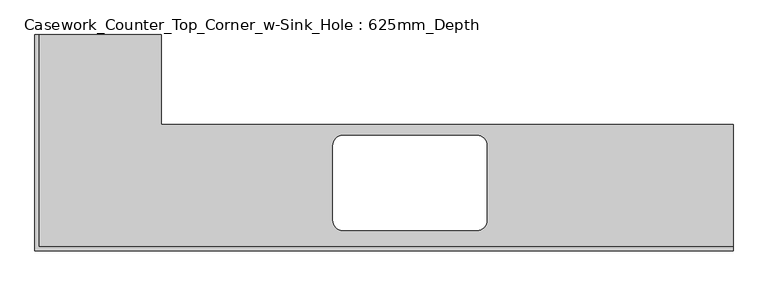
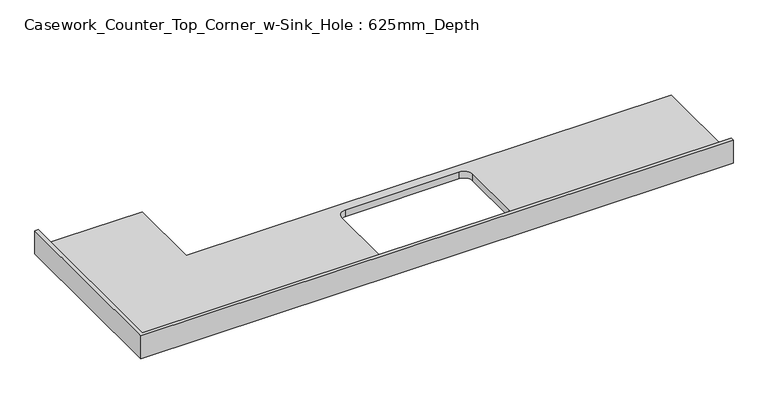
"""IFC4 building model written with IfcOpenShell, lengths in millimetres: furniture geometry, Casework_Counter_Top_Corner_w-Sink_Hole : 625mm_Depth."""

import ifcopenshell
import ifcopenshell.guid

model = None  # the IFC model being written
_history = None  # IfcOwnerHistory: only IFC2X3 demands one
_inside = {}  # id of a spatial element -> (the spatial element, [elements in it])
_under = {}  # id of a project, library or spatial element -> (it, [spatial elements below it])
_declared = {}  # id of a project -> (the project, [libraries it declares])
_typed = {}  # id of a type object -> (the type object, [elements of that type])
_made_of = {}  # id of a material, layer set ... -> (it, [elements and type objects made of it])


def new_model(schema):
    """Start an empty IFC model of exactly this schema.

    Asked for "IFC4X3", IfcOpenShell would pick the latest addendum, in which some entities
    have other attributes; the version numbers below select the first issue.
    IFC2X3 requires an IfcOwnerHistory on every rooted entity: one is made here for all.
    """
    global model, _history
    if schema == "IFC4X3":
        model = ifcopenshell.file(schema_version=(4, 3, 0, 0))
    else:
        model = ifcopenshell.file(schema=schema)
    _inside.clear()
    _under.clear()
    _declared.clear()
    _typed.clear()
    _made_of.clear()
    _history = None
    if model.schema == "IFC2X3":
        org = make("IfcOrganization", Name="unknown")
        user = make(
            "IfcPersonAndOrganization",
            ThePerson=make("IfcPerson", FamilyName="unknown"),
            TheOrganization=org,
        )
        app = make(
            "IfcApplication",
            ApplicationDeveloper=org,
            Version="unknown",
            ApplicationFullName="unknown",
            ApplicationIdentifier="unknown",
        )
        _history = make(
            "IfcOwnerHistory",
            OwningUser=user,
            OwningApplication=app,
            ChangeAction="ADDED",
            CreationDate=0,
        )
    return model


def make(cls, **values):
    """One entity of the class cls with the attributes given. An attribute that is None is left unset."""
    return model.create_entity(
        cls, **{name: value for name, value in values.items() if value is not None}
    )


def rooted(cls, **values):
    """An entity with a GlobalId (a new one), such as an element, a storey or a relation."""
    return make(cls, GlobalId=ifcopenshell.guid.new(), OwnerHistory=_history, **values)


def si_unit(unit_type, name, prefix=None):
    """IfcSIUnit, for example si_unit("LENGTHUNIT", "METRE", prefix="MILLI")."""
    return make("IfcSIUnit", UnitType=unit_type, Prefix=prefix, Name=name)


def assignment(units):
    """IfcUnitAssignment: the units of a project."""
    return None if units is None else make("IfcUnitAssignment", Units=units)


def point(xyz):
    """IfcCartesianPoint."""
    return None if xyz is None else make("IfcCartesianPoint", Coordinates=xyz)


def direction(xyz):
    """IfcDirection."""
    return None if xyz is None else make("IfcDirection", DirectionRatios=xyz)


def frame(location, z_axis=None, x_axis=None):
    """IfcAxis2Placement3D, a coordinate frame: its origin and axes. An axis left out is left unset."""
    return make(
        "IfcAxis2Placement3D",
        Location=point(location),
        Axis=direction(z_axis),
        RefDirection=direction(x_axis),
    )


def origin():
    """The frame at (0, 0, 0) with its axes left unset."""
    return frame((0.0, 0.0, 0.0))


def place(relative_to, where):
    """IfcLocalPlacement: puts the frame where relative to a parent placement (None: the world)."""
    return make(
        "IfcLocalPlacement", PlacementRelTo=relative_to, RelativePlacement=where
    )


def context(
    kind, dimensions, precision=None, world=None, true_north=None, identifier=None
):
    """IfcGeometricRepresentationContext, for example the 3D "Model" context."""
    return make(
        "IfcGeometricRepresentationContext",
        ContextIdentifier=identifier,
        ContextType=kind,
        CoordinateSpaceDimension=dimensions,
        Precision=precision,
        WorldCoordinateSystem=world,
        TrueNorth=true_north,
    )


def project(units=None, contexts=None):
    """IfcProject with its units and contexts."""
    return rooted(
        "IfcProject",
        Name="project",
        RepresentationContexts=contexts,
        UnitsInContext=assignment(units),
    )


def spatial(cls, under=None, at=None, **own):
    """A site, building, storey or space (cls), placed at a placement, below another one or the project."""
    s = rooted(cls, ObjectPlacement=at, **own)
    if under is not None:
        _under.setdefault(under.id(), (under, []))[1].append(s)
    return s


def polyline(points):
    """IfcPolyline through the points."""
    return make("IfcPolyline", Points=[point(p) for p in points])


def circle_curve(where, radius):
    """IfcCircle in the frame where."""
    return make("IfcCircle", Position=where, Radius=radius)


def shape(context_of_items, identifier, shape_type, items):
    """IfcShapeRepresentation: the items that make up one representation, for example the "Body"."""
    return make(
        "IfcShapeRepresentation",
        ContextOfItems=context_of_items,
        RepresentationIdentifier=identifier,
        RepresentationType=shape_type,
        Items=items,
    )


def source(mapping_origin, context_of_items, identifier, shape_type, items):
    """IfcRepresentationMap: a shape defined once, which mapped items show again and again."""
    return make(
        "IfcRepresentationMap",
        MappingOrigin=mapping_origin,
        MappedRepresentation=shape(context_of_items, identifier, shape_type, items),
    )


def transform(
    local_origin,
    x_axis=None,
    y_axis=None,
    z_axis=None,
    scale=None,
    scale2=None,
    scale3=None,
    uniform=True,
):
    """IfcCartesianTransformationOperator3D, or its non-uniform kind. x_axis, y_axis, z_axis: its Axis1, 2, 3."""
    if uniform:
        return make(
            "IfcCartesianTransformationOperator3D",
            Axis1=direction(x_axis),
            Axis2=direction(y_axis),
            LocalOrigin=point(local_origin),
            Scale=scale,
            Axis3=direction(z_axis),
        )
    return make(
        "IfcCartesianTransformationOperator3DnonUniform",
        Axis1=direction(x_axis),
        Axis2=direction(y_axis),
        LocalOrigin=point(local_origin),
        Scale=scale,
        Axis3=direction(z_axis),
        Scale2=scale2,
        Scale3=scale3,
    )


def mapped(mapping_source, mapping_target):
    """IfcMappedItem: shows the shape of a source again, moved by a transform."""
    return make(
        "IfcMappedItem", MappingSource=mapping_source, MappingTarget=mapping_target
    )


def made_of(thing, what):
    """Note that an element or type object is made of a material, layer set ...; save() writes the relation."""
    if what is not None:
        _made_of.setdefault(what.id(), (what, []))[1].append(thing)
    return thing


def element(
    cls,
    number,
    at=None,
    inside=None,
    cuts=None,
    type_object=None,
    material=None,
    context=None,
    identifier="Body",
    shape_type=None,
    held_by="IfcProductDefinitionShape",
    body=None,
    shapes=None,
    **own,
):
    """One element of the class cls, such as IfcWall. Its Tag is "e" and its number.

    at: its placement. inside: the storey or other place that contains it. cuts: it is an
    opening in that element (IfcRelVoidsElement). A single representation is given by context,
    identifier, shape_type and body (its items); several are given by shapes. held_by: the class
    of the entity that holds the representations. save() writes the other relations.
    """
    e = rooted(cls, Tag="e%d" % number, ObjectPlacement=at, **own)
    if body is not None:
        shapes = [shape(context, identifier, shape_type, body)]
    if shapes is not None:
        e.Representation = make(held_by, Representations=shapes)
    if inside is not None:
        _inside.setdefault(inside.id(), (inside, []))[1].append(e)
    if cuts is not None:
        rooted(
            "IfcRelVoidsElement", RelatingBuildingElement=cuts, RelatedOpeningElement=e
        )
    if type_object is not None:
        _typed.setdefault(type_object.id(), (type_object, []))[1].append(e)
    return made_of(e, material)


def aggregate(whole, parts):
    """IfcRelAggregates: a whole, such as a stair, and the parts it consists of."""
    return rooted("IfcRelAggregates", RelatingObject=whole, RelatedObjects=parts)


def save(model, path):
    """Write the relations noted so far, then the file.

    IfcRelAggregates (storeys below a building ...), IfcRelContainedInSpatialStructure (elements
    in a storey), IfcRelDefinesByType, IfcRelAssociatesMaterial and IfcRelDeclares: one each for
    every whole, place, type object, material and project.
    """
    for whole, parts in _under.values():
        aggregate(whole, parts)
    for where, things in _inside.values():
        rooted(
            "IfcRelContainedInSpatialStructure",
            RelatedElements=things,
            RelatingStructure=where,
        )
    for kind, things in _typed.values():
        rooted("IfcRelDefinesByType", RelatedObjects=things, RelatingType=kind)
    for what, things in _made_of.values():
        rooted("IfcRelAssociatesMaterial", RelatedObjects=things, RelatingMaterial=what)
    for by, libraries in _declared.values():
        rooted("IfcRelDeclares", RelatingContext=by, RelatedDefinitions=libraries)
    model.write(path)


def plane_surface(at):
    """IfcPlane: the flat surface through the origin of the frame at, square to its z axis."""
    return make("IfcPlane", Position=at)


def revolved_surface(curve, axis_point, axis_direction):
    """IfcSurfaceOfRevolution: the curve turned about the line through axis_point along axis_direction."""
    return make(
        "IfcSurfaceOfRevolution",
        SweptCurve=make("IfcArbitraryOpenProfileDef", ProfileType="CURVE", Curve=curve),
        AxisPosition=make("IfcAxis1Placement", Location=point(axis_point), Axis=direction(axis_direction)),
    )


def advanced_brep(points, edges, surfaces, faces):
    """IfcAdvancedBrep: a solid bounded by faces that lie on surfaces and meet in shared edges.

    An edge is (start, end): straight between two places in points (the first is 0);
    or (start, end, curve); or (start, end, curve, False) where it runs against its curve.
    A face is (place in surfaces, loops), or (place, loops, False) where it looks against
    its surface's normal. A loop lists edges by number (the first is 1), with a minus sign
    where the edge is run from its end to its start. The first loop is the outer one.
    """
    corners = [point(p) for p in points]
    vertices = [make("IfcVertexPoint", VertexGeometry=c) for c in corners]
    made = []
    for start, end, *more in edges:
        made.append(
            make(
                "IfcEdgeCurve",
                EdgeStart=vertices[start],
                EdgeEnd=vertices[end],
                EdgeGeometry=more[0] if more else make("IfcPolyline", Points=[corners[start], corners[end]]),
                SameSense=more[1] if len(more) > 1 else True,
            )
        )
    hull = []
    for where, loops, *sense in faces:
        bounds = []
        for j, loop in enumerate(loops):
            ring = [make("IfcOrientedEdge", EdgeElement=made[abs(k) - 1], Orientation=k > 0) for k in loop]
            bounds.append(
                make(
                    "IfcFaceOuterBound" if j == 0 else "IfcFaceBound",
                    Bound=make("IfcEdgeLoop", EdgeList=ring),
                    Orientation=True,
                )
            )
        hull.append(make("IfcAdvancedFace", Bounds=bounds, FaceSurface=surfaces[where], SameSense=sense[0] if sense else True))
    return make("IfcAdvancedBrep", Outer=make("IfcClosedShell", CfsFaces=hull))


def casework_counter_top_corner_w_sink_hole_625mm_depth_ee57eaae(model_context):
    return source(origin(), model_context, "Body", "AdvancedBrep", [
        advanced_brep(
        [(-575.4622951, 1068.8104802, 900.0), (-1181.4122951, 1068.8104802, 900.0), (-1181.4122951, 19.05, 900.0), (2250.6748991, 19.05, 900.0), (2250.6748991, 625.0, 900.0), (-575.4622951, 625.0, 900.0), (984.1083063, 100.5650007, 900.0), (322.1118941, 100.5650007, 900.0), (272.1118941, 150.5650007, 900.0), (272.1118941, 520.5650007, 900.0), (322.1118941, 570.5650007, 900.0), (984.1083063, 570.5650007, 900.0), (1034.1083063, 520.5650007, 900.0), (1034.1083063, 150.5650007, 900.0), (2250.6748991, 0.0, 860.0), (-1200.4622951, 0.0, 860.0), (-1200.4622951, 1068.8104802, 860.0), (-575.4622951, 1068.8104802, 860.0), (-575.4622951, 625.0, 860.0), (2250.6748991, 625.0, 860.0), (984.1083063, 100.5650007, 860.0), (1034.1083063, 150.5650007, 860.0), (1034.1083063, 520.5650007, 860.0), (984.1083063, 570.5650007, 860.0), (322.1118941, 570.5650007, 860.0), (272.1118941, 520.5650007, 860.0), (272.1118941, 150.5650007, 860.0), (322.1118941, 100.5650007, 860.0), (2250.6748991, 0.0, 1001.6), (-1200.4622951, 0.0, 1001.6), (-1200.4622951, 1068.8104802, 1001.6), (-1181.4122951, 1068.8104802, 1001.6), (2250.6748991, 19.05, 1001.6), (-1181.4122951, 19.05, 1001.6)],
        [
            (0, 1),
            (1, 2),
            (2, 3),
            (3, 4),
            (4, 5),
            (5, 0),
            (6, 7),
            (7, 8, circle_curve(frame((322.1118941, 150.5650007, 900.0), z_axis=(0.0, 0.0, -1.0), x_axis=(1.0, 0.0, 0.0)), 50.0)),
            (8, 9),
            (9, 10, circle_curve(frame((322.1118941, 520.5650007, 900.0), z_axis=(0.0, 0.0, -1.0), x_axis=(1.0, 0.0, 0.0)), 50.0)),
            (10, 11),
            (11, 12, circle_curve(frame((984.1083063, 520.5650007, 900.0), z_axis=(0.0, 0.0, -1.0), x_axis=(1.0, 0.0, 0.0)), 50.0)),
            (12, 13),
            (13, 6, circle_curve(frame((984.1083063, 150.5650007, 900.0), z_axis=(0.0, 0.0, -1.0), x_axis=(1.0, 0.0, 0.0)), 50.0)),
            (14, 15),
            (15, 16),
            (16, 17),
            (17, 18),
            (18, 19),
            (19, 14),
            (20, 21, circle_curve(frame((984.1083063, 150.5650007, 860.0), z_axis=(0.0, 0.0, 1.0), x_axis=(1.0, 0.0, 0.0)), 50.0)),
            (21, 22),
            (22, 23, circle_curve(frame((984.1083063, 520.5650007, 860.0), z_axis=(0.0, 0.0, 1.0), x_axis=(1.0, 0.0, 0.0)), 50.0)),
            (23, 24),
            (24, 25, circle_curve(frame((322.1118941, 520.5650007, 860.0), z_axis=(0.0, 0.0, 1.0), x_axis=(1.0, 0.0, 0.0)), 50.0)),
            (25, 26),
            (26, 27, circle_curve(frame((322.1118941, 150.5650007, 860.0), z_axis=(0.0, 0.0, 1.0), x_axis=(1.0, 0.0, 0.0)), 50.0)),
            (27, 20),
            (14, 28),
            (28, 29),
            (29, 15),
            (29, 30),
            (30, 16),
            (30, 31),
            (31, 1),
            (0, 17),
            (5, 18),
            (4, 19),
            (3, 32),
            (32, 28),
            (13, 21),
            (20, 6),
            (12, 22),
            (11, 23),
            (10, 24),
            (9, 25),
            (8, 26),
            (7, 27),
            (32, 33),
            (33, 31),
            (2, 33),
        ],
        [
            plane_surface(frame((-1200.4622951, 0.0, 900.0), z_axis=(0.0, 0.0, 1.0), x_axis=(-1.0, 0.0, 0.0))),
            plane_surface(frame((-1200.4622951, 0.0, 860.0), z_axis=(0.0, 0.0, -1.0), x_axis=(1.0, 0.0, 0.0))),
            plane_surface(frame((2250.6748991, 0.0, 900.0), z_axis=(0.0, -1.0, 0.0), x_axis=(0.0, 0.0, -1.0))),
            plane_surface(frame((-1200.4622951, 0.0, 900.0), z_axis=(-1.0, 0.0, 0.0), x_axis=(0.0, 0.0, -1.0))),
            plane_surface(frame((-1200.4622951, 1068.8104802, 900.0), z_axis=(0.0, 1.0, 0.0), x_axis=(0.0, 0.0, -1.0))),
            plane_surface(frame((-575.4622951, 1068.8104802, 900.0), z_axis=(1.0, 0.0, 0.0), x_axis=(0.0, 0.0, -1.0))),
            plane_surface(frame((-575.4622951, 625.0, 900.0), z_axis=(0.0, 1.0, 0.0), x_axis=(0.0, 0.0, -1.0))),
            plane_surface(frame((2250.6748991, 625.0, 900.0), z_axis=(1.0, 0.0, 0.0), x_axis=(0.0, 0.0, -1.0))),
            revolved_surface(polyline([(1034.1083063, 150.5650007, 860.0), (1034.1083063, 150.5650007, 900.0)]), (984.1083063, 150.5650007, 0.0), (0.0, 0.0, -1.0)),
            plane_surface(frame((1034.1083063, 150.5650007, 900.0), z_axis=(-1.0, 0.0, 0.0), x_axis=(0.0, 0.0, -1.0))),
            revolved_surface(polyline([(1034.1083063, 520.5650007, 860.0), (1034.1083063, 520.5650007, 900.0)]), (984.1083063, 520.5650007, 0.0), (0.0, 0.0, -1.0)),
            plane_surface(frame((984.1083063, 570.5650007, 900.0), z_axis=(0.0, -1.0, 0.0), x_axis=(0.0, 0.0, -1.0))),
            revolved_surface(polyline([(372.1118941, 520.5650007, 860.0), (372.1118941, 520.5650007, 900.0)]), (322.1118941, 520.5650007, 0.0), (0.0, 0.0, -1.0)),
            plane_surface(frame((272.1118941, 520.5650007, 900.0), z_axis=(1.0, 0.0, 0.0), x_axis=(0.0, 0.0, -1.0))),
            revolved_surface(polyline([(372.1118941, 150.5650007, 860.0), (372.1118941, 150.5650007, 900.0)]), (322.1118941, 150.5650007, 0.0), (0.0, 0.0, -1.0)),
            plane_surface(frame((322.1118941, 100.5650007, 900.0), z_axis=(0.0, 1.0, 0.0), x_axis=(0.0, 0.0, -1.0))),
            plane_surface(frame((-1200.4622951, 0.0, 1001.6), z_axis=(0.0, 0.0, 1.0), x_axis=(0.0, 1.0, 0.0))),
            plane_surface(frame((-1200.4622951, 19.05, 1001.6), z_axis=(0.0, 1.0, 0.0), x_axis=(0.0, 0.0, -1.0))),
            plane_surface(frame((-1181.4122951, 1068.8104802, 1001.6), z_axis=(1.0, 0.0, 0.0), x_axis=(0.0, 0.0, -1.0))),
        ],
        [
            (0, [[1, 2, 3, 4, 5, 6], [7, 8, 9, 10, 11, 12, 13, 14]]),
            (1, [[15, 16, 17, 18, 19, 20], [21, 22, 23, 24, 25, 26, 27, 28]]),
            (2, [[29, 30, 31, -15]]),
            (3, [[-31, 32, 33, -16]]),
            (4, [[34, 35, -1, 36, -17, -33]]),
            (5, [[37, -18, -36, -6]]),
            (6, [[38, -19, -37, -5]]),
            (7, [[-38, -4, 39, 40, -29, -20]]),
            (8, [[41, -21, 42, -14]]),
            (9, [[43, -22, -41, -13]]),
            (10, [[44, -23, -43, -12]]),
            (11, [[45, -24, -44, -11]]),
            (12, [[46, -25, -45, -10]]),
            (13, [[47, -26, -46, -9]]),
            (14, [[48, -27, -47, -8]]),
            (15, [[-42, -28, -48, -7]]),
            (16, [[-30, -40, 49, 50, -34, -32]]),
            (17, [[-3, 51, -49, -39]]),
            (18, [[-51, -2, -35, -50]]),
        ],
    ),
    ])


if __name__ == "__main__":
    model = new_model("IFC4")
    model_context = context("Model", 3, world=origin())
    ifc_project = project(units=[si_unit("LENGTHUNIT", "METRE", prefix="MILLI")], contexts=[model_context])
    site = spatial("IfcSite", under=ifc_project)
    building = spatial("IfcBuilding", under=site)
    placement = place(None, origin())
    casework_counter_top_corner_w_sink_hole_625mm_depth_shape = casework_counter_top_corner_w_sink_hole_625mm_depth_ee57eaae(model_context)
    element("IfcFurniture", 1, ObjectType="Casework_Counter_Top_Corner_w-Sink_Hole : 625mm_Depth", at=placement, inside=building, context=model_context, shape_type="MappedRepresentation", body=[
        mapped(casework_counter_top_corner_w_sink_hole_625mm_depth_shape, transform((0.0, 0.0, 0.0), x_axis=(1.0, 0.0, 0.0), y_axis=(0.0, 1.0, 0.0), z_axis=(0.0, 0.0, 1.0))),
    ])
    save(model, "model.ifc")
